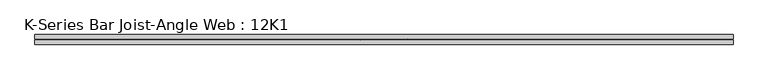
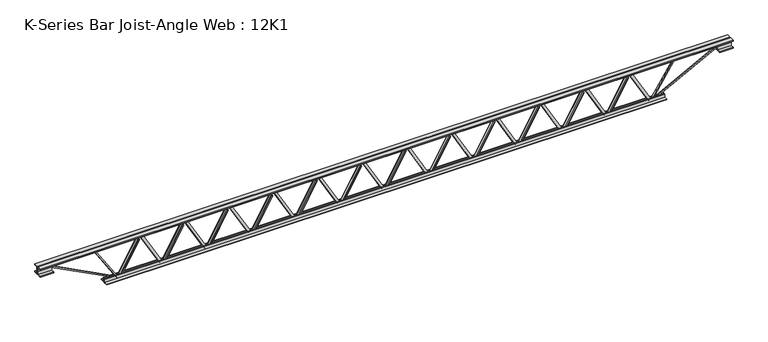
"""IFC4 building model written with IfcOpenShell, lengths in millimetres: beam geometry, K-Series Bar Joist-Angle Web : 12K1."""

from ifc_helpers import new_model, si_unit, frame, origin, place, context, project, spatial, polyline, outline, extrude, faceted_brep, source, transform, mapped, element, save


def k_series_bar_joist_angle_web_12k1_126cf819(model_context):
    return source(origin(), model_context, "Body", "SolidModel", [
        extrude(outline(polyline([(-4.7625, 4.7625), (-4.7625, 0.0), (-17.4625, 0.0), (-17.4625, 4.7625), (-4.7625, 4.7625)])), frame((1671.6442885, 0.0, -114.3), z_axis=(-0.4915136705372825, 0.0, 0.8708698592068552), x_axis=(0.0, -1.0, 0.0)), (0.0, 0.0, 1.0), 262.496167),
        extrude(outline(polyline([(-149.225, 1703.2672348), (-130.175, 1703.2672348), (-130.175, 1702.4787229), (149.225, 1544.7870562), (149.225, 1526.5255682), (130.175, 1526.5255682), (130.175, 1533.6640802), (-149.225, 1691.3557468), (-149.225, 1703.2672348)])), frame((0.0, 0.0, 0.0), z_axis=(0.0, 1.0, 0.0), x_axis=(0.0, 0.0, 1.0)), (0.0, 0.0, 1.0), 4.7625),
        faceted_brep([(1362.4839015, 0.0, -130.175), (1362.4839015, 0.0, -149.225), (1362.4839015, -4.7625, -149.225), (1362.4839015, -4.7625, -130.175), (1363.2724135, 0.0, -130.175), (1520.9640802, 0.0, 149.225), (1539.2255682, 0.0, 149.225), (1539.2255682, 0.0, 130.175), (1532.0870562, 0.0, 130.175), (1374.3953895, 0.0, -149.225), (1374.3953895, -4.7625, -149.225), (1394.1068479, -4.7625, -114.3), (1389.9593302, -4.7625, -111.9591661), (1518.9797847, -4.7625, 116.6408339), (1523.1273024, -4.7625, 114.3), (1532.0870562, -4.7625, 130.175), (1539.2255682, -4.7625, 130.175), (1539.2255682, -4.7625, 149.225), (1520.9640802, -4.7625, 149.225), (1363.2724135, -4.7625, -130.175), (1523.1273024, -17.4625, 114.3), (1394.1068479, -17.4625, -114.3), (1389.9593302, -17.4625, -111.9591661), (1518.9797847, -17.4625, 116.6408339)], [[[0, 1, 2, 3]], [[1, 0, 4, 5, 6, 7, 8, 9]], [[2, 1, 9, 10]], [[3, 2, 10, 11, 12, 13, 14, 15, 16, 17, 18, 19]], [[0, 3, 19, 4]], [[9, 8, 15, 14, 20, 21, 11, 10]], [[5, 4, 19, 18]], [[7, 6, 17, 16]], [[8, 7, 16, 15]], [[6, 5, 18, 17]], [[21, 22, 12, 11]], [[20, 14, 13, 23]], [[22, 21, 20, 23]], [[12, 22, 23, 13]]]),
        extrude(outline(polyline([(-4.7625, 4.7625), (-4.7625, 0.0), (-17.4625, 0.0), (-17.4625, 4.7625), (-4.7625, 4.7625)])), frame((1331.0052733, 0.0, -114.3), z_axis=(-0.4915136705372825, 0.0, 0.8708698592068552), x_axis=(0.0, -1.0, 0.0)), (0.0, 0.0, 1.0), 262.496167),
        extrude(outline(polyline([(-149.225, 1362.6282197), (-130.175, 1362.6282197), (-130.175, 1361.8397077), (149.225, 1204.148041), (149.225, 1185.886553), (130.175, 1185.886553), (130.175, 1193.025065), (-149.225, 1350.7167317), (-149.225, 1362.6282197)])), frame((0.0, 0.0, 0.0), z_axis=(0.0, 1.0, 0.0), x_axis=(0.0, 0.0, 1.0)), (0.0, 0.0, 1.0), 4.7625),
        faceted_brep([(1021.8448864, 0.0, -130.175), (1021.8448864, 0.0, -149.225), (1021.8448864, -4.7625, -149.225), (1021.8448864, -4.7625, -130.175), (1022.6333983, 0.0, -130.175), (1180.325065, 0.0, 149.225), (1198.586553, 0.0, 149.225), (1198.586553, 0.0, 130.175), (1191.448041, 0.0, 130.175), (1033.7563744, 0.0, -149.225), (1033.7563744, -4.7625, -149.225), (1053.4678327, -4.7625, -114.3), (1049.320315, -4.7625, -111.9591661), (1178.3407696, -4.7625, 116.6408339), (1182.4882873, -4.7625, 114.3), (1191.448041, -4.7625, 130.175), (1198.586553, -4.7625, 130.175), (1198.586553, -4.7625, 149.225), (1180.325065, -4.7625, 149.225), (1022.6333983, -4.7625, -130.175), (1182.4882873, -17.4625, 114.3), (1053.4678327, -17.4625, -114.3), (1049.320315, -17.4625, -111.9591661), (1178.3407696, -17.4625, 116.6408339)], [[[0, 1, 2, 3]], [[1, 0, 4, 5, 6, 7, 8, 9]], [[2, 1, 9, 10]], [[3, 2, 10, 11, 12, 13, 14, 15, 16, 17, 18, 19]], [[0, 3, 19, 4]], [[9, 8, 15, 14, 20, 21, 11, 10]], [[5, 4, 19, 18]], [[7, 6, 17, 16]], [[8, 7, 16, 15]], [[6, 5, 18, 17]], [[21, 22, 12, 11]], [[20, 14, 13, 23]], [[22, 21, 20, 23]], [[12, 22, 23, 13]]]),
        extrude(outline(polyline([(-4.7625, 4.7625), (-4.7625, 0.0), (-17.4625, 0.0), (-17.4625, 4.7625), (-4.7625, 4.7625)])), frame((990.3662582, 0.0, -114.3), z_axis=(-0.4915136705372825, 0.0, 0.8708698592068552), x_axis=(0.0, -1.0, 0.0)), (0.0, 0.0, 1.0), 262.496167),
        extrude(outline(polyline([(-149.225, 1021.9892045), (-130.175, 1021.9892045), (-130.175, 1021.2006926), (149.225, 863.5090259), (149.225, 845.2475379), (130.175, 845.2475379), (130.175, 852.3860499), (-149.225, 1010.0777165), (-149.225, 1021.9892045)])), frame((0.0, 0.0, 0.0), z_axis=(0.0, 1.0, 0.0), x_axis=(0.0, 0.0, 1.0)), (0.0, 0.0, 1.0), 4.7625),
        faceted_brep([(681.2058712, 0.0, -130.175), (681.2058712, 0.0, -149.225), (681.2058712, -4.7625, -149.225), (681.2058712, -4.7625, -130.175), (681.9943832, 0.0, -130.175), (839.6860499, 0.0, 149.225), (857.9475379, 0.0, 149.225), (857.9475379, 0.0, 130.175), (850.8090259, 0.0, 130.175), (693.1173592, 0.0, -149.225), (693.1173592, -4.7625, -149.225), (712.8288176, -4.7625, -114.3), (708.6812999, -4.7625, -111.9591661), (837.7017544, -4.7625, 116.6408339), (841.8492721, -4.7625, 114.3), (850.8090259, -4.7625, 130.175), (857.9475379, -4.7625, 130.175), (857.9475379, -4.7625, 149.225), (839.6860499, -4.7625, 149.225), (681.9943832, -4.7625, -130.175), (841.8492721, -17.4625, 114.3), (712.8288176, -17.4625, -114.3), (708.6812999, -17.4625, -111.9591661), (837.7017544, -17.4625, 116.6408339)], [[[0, 1, 2, 3]], [[1, 0, 4, 5, 6, 7, 8, 9]], [[2, 1, 9, 10]], [[3, 2, 10, 11, 12, 13, 14, 15, 16, 17, 18, 19]], [[0, 3, 19, 4]], [[9, 8, 15, 14, 20, 21, 11, 10]], [[5, 4, 19, 18]], [[7, 6, 17, 16]], [[8, 7, 16, 15]], [[6, 5, 18, 17]], [[21, 22, 12, 11]], [[20, 14, 13, 23]], [[22, 21, 20, 23]], [[12, 22, 23, 13]]]),
        extrude(outline(polyline([(-4.7625, 4.7625), (-4.7625, 0.0), (-17.4625, 0.0), (-17.4625, 4.7625), (-4.7625, 4.7625)])), frame((649.727243, 0.0, -114.3), z_axis=(-0.4915136705372825, 0.0, 0.8708698592068552), x_axis=(0.0, -1.0, 0.0)), (0.0, 0.0, 1.0), 262.496167),
        extrude(outline(polyline([(-149.225, 681.3501894), (-130.175, 681.3501894), (-130.175, 680.5616774), (149.225, 522.8700107), (149.225, 504.6085227), (130.175, 504.6085227), (130.175, 511.7470347), (-149.225, 669.4387014), (-149.225, 681.3501894)])), frame((0.0, 0.0, 0.0), z_axis=(0.0, 1.0, 0.0), x_axis=(0.0, 0.0, 1.0)), (0.0, 0.0, 1.0), 4.7625),
        faceted_brep([(340.5668561, 0.0, -130.175), (340.5668561, 0.0, -149.225), (340.5668561, -4.7625, -149.225), (340.5668561, -4.7625, -130.175), (341.355368, 0.0, -130.175), (499.0470347, 0.0, 149.225), (517.3085227, 0.0, 149.225), (517.3085227, 0.0, 130.175), (510.1700107, 0.0, 130.175), (352.4783441, 0.0, -149.225), (352.4783441, -4.7625, -149.225), (372.1898024, -4.7625, -114.3), (368.0422847, -4.7625, -111.9591661), (497.0627393, -4.7625, 116.6408339), (501.210257, -4.7625, 114.3), (510.1700107, -4.7625, 130.175), (517.3085227, -4.7625, 130.175), (517.3085227, -4.7625, 149.225), (499.0470347, -4.7625, 149.225), (341.355368, -4.7625, -130.175), (501.210257, -17.4625, 114.3), (372.1898024, -17.4625, -114.3), (368.0422847, -17.4625, -111.9591661), (497.0627393, -17.4625, 116.6408339)], [[[0, 1, 2, 3]], [[1, 0, 4, 5, 6, 7, 8, 9]], [[2, 1, 9, 10]], [[3, 2, 10, 11, 12, 13, 14, 15, 16, 17, 18, 19]], [[0, 3, 19, 4]], [[9, 8, 15, 14, 20, 21, 11, 10]], [[5, 4, 19, 18]], [[7, 6, 17, 16]], [[8, 7, 16, 15]], [[6, 5, 18, 17]], [[21, 22, 12, 11]], [[20, 14, 13, 23]], [[22, 21, 20, 23]], [[12, 22, 23, 13]]]),
        extrude(outline(polyline([(-4.7625, 4.7625), (-4.7625, 0.0), (-17.4625, 0.0), (-17.4625, 4.7625), (-4.7625, 4.7625)])), frame((309.0882279, 0.0, -114.3), z_axis=(-0.4915136705372825, 0.0, 0.8708698592068552), x_axis=(0.0, -1.0, 0.0)), (0.0, 0.0, 1.0), 262.496167),
        extrude(outline(polyline([(-149.225, 340.7111742), (-130.175, 340.7111742), (-130.175, 339.9226623), (149.225, 182.2309956), (149.225, 163.9695076), (130.175, 163.9695076), (130.175, 171.1080196), (-149.225, 328.7996862), (-149.225, 340.7111742)])), frame((0.0, 0.0, 0.0), z_axis=(0.0, 1.0, 0.0), x_axis=(0.0, 0.0, 1.0)), (0.0, 0.0, 1.0), 4.7625),
        faceted_brep([(-0.0721591, 0.0, -130.175), (-0.0721591, 0.0, -149.225), (-0.0721591, -4.7625, -149.225), (-0.0721591, -4.7625, -130.175), (0.7163529, 0.0, -130.175), (158.4080196, 0.0, 149.225), (176.6695076, 0.0, 149.225), (176.6695076, 0.0, 130.175), (169.5309956, 0.0, 130.175), (11.8393289, 0.0, -149.225), (11.8393289, -4.7625, -149.225), (31.5507873, -4.7625, -114.3), (27.4032696, -4.7625, -111.9591661), (156.4237241, -4.7625, 116.6408339), (160.5712418, -4.7625, 114.3), (169.5309956, -4.7625, 130.175), (176.6695076, -4.7625, 130.175), (176.6695076, -4.7625, 149.225), (158.4080196, -4.7625, 149.225), (0.7163529, -4.7625, -130.175), (160.5712418, -17.4625, 114.3), (31.5507873, -17.4625, -114.3), (27.4032696, -17.4625, -111.9591661), (156.4237241, -17.4625, 116.6408339)], [[[0, 1, 2, 3]], [[1, 0, 4, 5, 6, 7, 8, 9]], [[2, 1, 9, 10]], [[3, 2, 10, 11, 12, 13, 14, 15, 16, 17, 18, 19]], [[0, 3, 19, 4]], [[9, 8, 15, 14, 20, 21, 11, 10]], [[5, 4, 19, 18]], [[7, 6, 17, 16]], [[8, 7, 16, 15]], [[6, 5, 18, 17]], [[21, 22, 12, 11]], [[20, 14, 13, 23]], [[22, 21, 20, 23]], [[12, 22, 23, 13]]]),
        extrude(outline(polyline([(-4.7625, 4.7625), (-4.7625, 0.0), (-17.4625, 0.0), (-17.4625, 4.7625), (-4.7625, 4.7625)])), frame((-31.5507873, 0.0, -114.3), z_axis=(-0.4915136705372825, 0.0, 0.8708698592068552), x_axis=(0.0, -1.0, 0.0)), (0.0, 0.0, 1.0), 262.496167),
        extrude(outline(polyline([(-149.225, 0.0721591), (-130.175, 0.0721591), (-130.175, -0.7163529), (149.225, -158.4080196), (149.225, -176.6695076), (130.175, -176.6695076), (130.175, -169.5309956), (-149.225, -11.8393289), (-149.225, 0.0721591)])), frame((0.0, 0.0, 0.0), z_axis=(0.0, 1.0, 0.0), x_axis=(0.0, 0.0, 1.0)), (0.0, 0.0, 1.0), 4.7625),
        faceted_brep([(-340.7111742, 0.0, -130.175), (-340.7111742, 0.0, -149.225), (-340.7111742, -4.7625, -149.225), (-340.7111742, -4.7625, -130.175), (-339.9226623, 0.0, -130.175), (-182.2309956, 0.0, 149.225), (-163.9695076, 0.0, 149.225), (-163.9695076, 0.0, 130.175), (-171.1080196, 0.0, 130.175), (-328.7996862, 0.0, -149.225), (-328.7996862, -4.7625, -149.225), (-309.0882279, -4.7625, -114.3), (-313.2357456, -4.7625, -111.9591661), (-184.215291, -4.7625, 116.6408339), (-180.0677733, -4.7625, 114.3), (-171.1080196, -4.7625, 130.175), (-163.9695076, -4.7625, 130.175), (-163.9695076, -4.7625, 149.225), (-182.2309956, -4.7625, 149.225), (-339.9226623, -4.7625, -130.175), (-180.0677733, -17.4625, 114.3), (-309.0882279, -17.4625, -114.3), (-313.2357456, -17.4625, -111.9591661), (-184.215291, -17.4625, 116.6408339)], [[[0, 1, 2, 3]], [[1, 0, 4, 5, 6, 7, 8, 9]], [[2, 1, 9, 10]], [[3, 2, 10, 11, 12, 13, 14, 15, 16, 17, 18, 19]], [[0, 3, 19, 4]], [[9, 8, 15, 14, 20, 21, 11, 10]], [[5, 4, 19, 18]], [[7, 6, 17, 16]], [[8, 7, 16, 15]], [[6, 5, 18, 17]], [[21, 22, 12, 11]], [[20, 14, 13, 23]], [[22, 21, 20, 23]], [[12, 22, 23, 13]]]),
        extrude(outline(polyline([(-4.7625, 4.7625), (-4.7625, 0.0), (-17.4625, 0.0), (-17.4625, 4.7625), (-4.7625, 4.7625)])), frame((-372.1898024, 0.0, -114.3), z_axis=(-0.4915136705372825, 0.0, 0.8708698592068552), x_axis=(0.0, -1.0, 0.0)), (0.0, 0.0, 1.0), 262.496167),
        extrude(outline(polyline([(-149.225, -340.5668561), (-130.175, -340.5668561), (-130.175, -341.355368), (149.225, -499.0470347), (149.225, -517.3085227), (130.175, -517.3085227), (130.175, -510.1700107), (-149.225, -352.4783441), (-149.225, -340.5668561)])), frame((0.0, 0.0, 0.0), z_axis=(0.0, 1.0, 0.0), x_axis=(0.0, 0.0, 1.0)), (0.0, 0.0, 1.0), 4.7625),
        faceted_brep([(-681.3501894, 0.0, -130.175), (-681.3501894, 0.0, -149.225), (-681.3501894, -4.7625, -149.225), (-681.3501894, -4.7625, -130.175), (-680.5616774, 0.0, -130.175), (-522.8700107, 0.0, 149.225), (-504.6085227, 0.0, 149.225), (-504.6085227, 0.0, 130.175), (-511.7470347, 0.0, 130.175), (-669.4387014, 0.0, -149.225), (-669.4387014, -4.7625, -149.225), (-649.727243, -4.7625, -114.3), (-653.8747607, -4.7625, -111.9591661), (-524.8543062, -4.7625, 116.6408339), (-520.7067885, -4.7625, 114.3), (-511.7470347, -4.7625, 130.175), (-504.6085227, -4.7625, 130.175), (-504.6085227, -4.7625, 149.225), (-522.8700107, -4.7625, 149.225), (-680.5616774, -4.7625, -130.175), (-520.7067885, -17.4625, 114.3), (-649.727243, -17.4625, -114.3), (-653.8747607, -17.4625, -111.9591661), (-524.8543062, -17.4625, 116.6408339)], [[[0, 1, 2, 3]], [[1, 0, 4, 5, 6, 7, 8, 9]], [[2, 1, 9, 10]], [[3, 2, 10, 11, 12, 13, 14, 15, 16, 17, 18, 19]], [[0, 3, 19, 4]], [[9, 8, 15, 14, 20, 21, 11, 10]], [[5, 4, 19, 18]], [[7, 6, 17, 16]], [[8, 7, 16, 15]], [[6, 5, 18, 17]], [[21, 22, 12, 11]], [[20, 14, 13, 23]], [[22, 21, 20, 23]], [[12, 22, 23, 13]]]),
        extrude(outline(polyline([(-4.7625, 4.7625), (-4.7625, 0.0), (-17.4625, 0.0), (-17.4625, 4.7625), (-4.7625, 4.7625)])), frame((-712.8288176, 0.0, -114.3), z_axis=(-0.4915136705372825, 0.0, 0.8708698592068552), x_axis=(0.0, -1.0, 0.0)), (0.0, 0.0, 1.0), 262.496167),
        extrude(outline(polyline([(-149.225, -681.2058712), (-130.175, -681.2058712), (-130.175, -681.9943832), (149.225, -839.6860499), (149.225, -857.9475379), (130.175, -857.9475379), (130.175, -850.8090259), (-149.225, -693.1173592), (-149.225, -681.2058712)])), frame((0.0, 0.0, 0.0), z_axis=(0.0, 1.0, 0.0), x_axis=(0.0, 0.0, 1.0)), (0.0, 0.0, 1.0), 4.7625),
        faceted_brep([(-1021.9892045, 0.0, -130.175), (-1021.9892045, 0.0, -149.225), (-1021.9892045, -4.7625, -149.225), (-1021.9892045, -4.7625, -130.175), (-1021.2006926, 0.0, -130.175), (-863.5090259, 0.0, 149.225), (-845.2475379, 0.0, 149.225), (-845.2475379, 0.0, 130.175), (-852.3860499, 0.0, 130.175), (-1010.0777165, 0.0, -149.225), (-1010.0777165, -4.7625, -149.225), (-990.3662582, -4.7625, -114.3), (-994.5137759, -4.7625, -111.9591661), (-865.4933214, -4.7625, 116.6408339), (-861.3458036, -4.7625, 114.3), (-852.3860499, -4.7625, 130.175), (-845.2475379, -4.7625, 130.175), (-845.2475379, -4.7625, 149.225), (-863.5090259, -4.7625, 149.225), (-1021.2006926, -4.7625, -130.175), (-861.3458036, -17.4625, 114.3), (-990.3662582, -17.4625, -114.3), (-994.5137759, -17.4625, -111.9591661), (-865.4933214, -17.4625, 116.6408339)], [[[0, 1, 2, 3]], [[1, 0, 4, 5, 6, 7, 8, 9]], [[2, 1, 9, 10]], [[3, 2, 10, 11, 12, 13, 14, 15, 16, 17, 18, 19]], [[0, 3, 19, 4]], [[9, 8, 15, 14, 20, 21, 11, 10]], [[5, 4, 19, 18]], [[7, 6, 17, 16]], [[8, 7, 16, 15]], [[6, 5, 18, 17]], [[21, 22, 12, 11]], [[20, 14, 13, 23]], [[22, 21, 20, 23]], [[12, 22, 23, 13]]]),
        extrude(outline(polyline([(-4.7625, 4.7625), (-4.7625, 0.0), (-17.4625, 0.0), (-17.4625, 4.7625), (-4.7625, 4.7625)])), frame((-1053.4678327, 0.0, -114.3), z_axis=(-0.4915136705372825, 0.0, 0.8708698592068552), x_axis=(0.0, -1.0, 0.0)), (0.0, 0.0, 1.0), 262.496167),
        extrude(outline(polyline([(-149.225, -1021.8448864), (-130.175, -1021.8448864), (-130.175, -1022.6333983), (149.225, -1180.325065), (149.225, -1198.586553), (130.175, -1198.586553), (130.175, -1191.448041), (-149.225, -1033.7563744), (-149.225, -1021.8448864)])), frame((0.0, 0.0, 0.0), z_axis=(0.0, 1.0, 0.0), x_axis=(0.0, 0.0, 1.0)), (0.0, 0.0, 1.0), 4.7625),
        faceted_brep([(-1362.6282197, 0.0, -130.175), (-1362.6282197, 0.0, -149.225), (-1362.6282197, -4.7625, -149.225), (-1362.6282197, -4.7625, -130.175), (-1361.8397077, 0.0, -130.175), (-1204.148041, 0.0, 149.225), (-1185.886553, 0.0, 149.225), (-1185.886553, 0.0, 130.175), (-1193.025065, 0.0, 130.175), (-1350.7167317, 0.0, -149.225), (-1350.7167317, -4.7625, -149.225), (-1331.0052733, -4.7625, -114.3), (-1335.152791, -4.7625, -111.9591661), (-1206.1323365, -4.7625, 116.6408339), (-1201.9848188, -4.7625, 114.3), (-1193.025065, -4.7625, 130.175), (-1185.886553, -4.7625, 130.175), (-1185.886553, -4.7625, 149.225), (-1204.148041, -4.7625, 149.225), (-1361.8397077, -4.7625, -130.175), (-1201.9848188, -17.4625, 114.3), (-1331.0052733, -17.4625, -114.3), (-1335.152791, -17.4625, -111.9591661), (-1206.1323365, -17.4625, 116.6408339)], [[[0, 1, 2, 3]], [[1, 0, 4, 5, 6, 7, 8, 9]], [[2, 1, 9, 10]], [[3, 2, 10, 11, 12, 13, 14, 15, 16, 17, 18, 19]], [[0, 3, 19, 4]], [[9, 8, 15, 14, 20, 21, 11, 10]], [[5, 4, 19, 18]], [[7, 6, 17, 16]], [[8, 7, 16, 15]], [[6, 5, 18, 17]], [[21, 22, 12, 11]], [[20, 14, 13, 23]], [[22, 21, 20, 23]], [[12, 22, 23, 13]]]),
        extrude(outline(polyline([(-4.7625, 4.7625), (-4.7625, 0.0), (-17.4625, 0.0), (-17.4625, 4.7625), (-4.7625, 4.7625)])), frame((-1394.1068479, 0.0, -114.3), z_axis=(-0.4915136705372825, 0.0, 0.8708698592068552), x_axis=(0.0, -1.0, 0.0)), (0.0, 0.0, 1.0), 262.496167),
        extrude(outline(polyline([(-149.225, -1362.4839015), (-130.175, -1362.4839015), (-130.175, -1363.2724135), (149.225, -1520.9640802), (149.225, -1539.2255682), (130.175, -1539.2255682), (130.175, -1532.0870562), (-149.225, -1374.3953895), (-149.225, -1362.4839015)])), frame((0.0, 0.0, 0.0), z_axis=(0.0, 1.0, 0.0), x_axis=(0.0, 0.0, 1.0)), (0.0, 0.0, 1.0), 4.7625),
        faceted_brep([(-1703.2672348, 0.0, -130.175), (-1703.2672348, 0.0, -149.225), (-1703.2672348, -4.7625, -149.225), (-1703.2672348, -4.7625, -130.175), (-1702.4787229, 0.0, -130.175), (-1544.7870562, 0.0, 149.225), (-1526.5255682, 0.0, 149.225), (-1526.5255682, 0.0, 130.175), (-1533.6640802, 0.0, 130.175), (-1691.3557468, 0.0, -149.225), (-1691.3557468, -4.7625, -149.225), (-1671.6442885, -4.7625, -114.3), (-1675.7918062, -4.7625, -111.9591661), (-1546.7713517, -4.7625, 116.6408339), (-1542.623834, -4.7625, 114.3), (-1533.6640802, -4.7625, 130.175), (-1526.5255682, -4.7625, 130.175), (-1526.5255682, -4.7625, 149.225), (-1544.7870562, -4.7625, 149.225), (-1702.4787229, -4.7625, -130.175), (-1542.623834, -17.4625, 114.3), (-1671.6442885, -17.4625, -114.3), (-1675.7918062, -17.4625, -111.9591661), (-1546.7713517, -17.4625, 116.6408339)], [[[0, 1, 2, 3]], [[1, 0, 4, 5, 6, 7, 8, 9]], [[2, 1, 9, 10]], [[3, 2, 10, 11, 12, 13, 14, 15, 16, 17, 18, 19]], [[0, 3, 19, 4]], [[9, 8, 15, 14, 20, 21, 11, 10]], [[5, 4, 19, 18]], [[7, 6, 17, 16]], [[8, 7, 16, 15]], [[6, 5, 18, 17]], [[21, 22, 12, 11]], [[20, 14, 13, 23]], [[22, 21, 20, 23]], [[12, 22, 23, 13]]]),
        extrude(outline(polyline([(-4.7625, 4.7625001), (-4.7625, 0.0), (-17.4625, 0.0), (-17.4625, 4.7625001), (-4.7625, 4.7625001)])), frame((2012.2833036, 0.0, -114.3), z_axis=(-0.4915136705372825, 0.0, 0.8708698592068552), x_axis=(0.0, -1.0, 0.0)), (0.0, 0.0, 1.0), 262.496167),
        extrude(outline(polyline([(-149.225, 2043.90625), (-130.175, 2043.90625), (-130.175, 2043.117738), (149.225, 1885.4260714), (149.225, 1867.1645833), (130.175, 1867.1645833), (130.175, 1874.3030953), (-149.225, 2031.994762), (-149.225, 2043.90625)])), frame((0.0, 0.0, 0.0), z_axis=(0.0, 1.0, 0.0), x_axis=(0.0, 0.0, 1.0)), (0.0, 0.0, 1.0), 4.7625),
        faceted_brep([(1703.1229167, 0.0, -130.175), (1703.1229167, 0.0, -149.225), (1703.1229167, -4.7625, -149.225), (1703.1229167, -4.7625, -130.175), (1703.9114286, 0.0, -130.175), (1861.6030953, 0.0, 149.225), (1879.8645833, 0.0, 149.225), (1879.8645833, 0.0, 130.175), (1872.7260714, 0.0, 130.175), (1715.0344047, 0.0, -149.225), (1715.0344047, -4.7625, -149.225), (1734.745863, -4.7625, -114.3), (1730.5983453, -4.7625, -111.9591661), (1859.6187999, -4.7625, 116.6408339), (1863.7663176, -4.7625, 114.3), (1872.7260714, -4.7625, 130.175), (1879.8645833, -4.7625, 130.175), (1879.8645833, -4.7625, 149.225), (1861.6030953, -4.7625, 149.225), (1703.9114286, -4.7625, -130.175), (1863.7663176, -17.4625, 114.3), (1734.745863, -17.4625, -114.3), (1730.5983453, -17.4625, -111.9591661), (1859.6187999, -17.4625, 116.6408339)], [[[0, 1, 2, 3]], [[1, 0, 4, 5, 6, 7, 8, 9]], [[2, 1, 9, 10]], [[3, 2, 10, 11, 12, 13, 14, 15, 16, 17, 18, 19]], [[0, 3, 19, 4]], [[9, 8, 15, 14, 20, 21, 11, 10]], [[5, 4, 19, 18]], [[7, 6, 17, 16]], [[8, 7, 16, 15]], [[6, 5, 18, 17]], [[21, 22, 12, 11]], [[20, 14, 13, 23]], [[22, 21, 20, 23]], [[12, 22, 23, 13]]]),
        extrude(outline(polyline([(-4.7625, 4.7625), (-4.7625, 0.0), (-17.4625, 0.0), (-17.4625, 4.7625), (-4.7625, 4.7625)])), frame((-1734.745863, 0.0, -114.3), z_axis=(-0.4915136705372825, 0.0, 0.8708698592068552), x_axis=(0.0, -1.0, 0.0)), (0.0, 0.0, 1.0), 262.496167),
        extrude(outline(polyline([(-149.225, -1703.1229167), (-130.175, -1703.1229167), (-130.175, -1703.9114286), (149.225, -1861.6030953), (149.225, -1879.8645833), (130.175, -1879.8645833), (130.175, -1872.7260714), (-149.225, -1715.0344047), (-149.225, -1703.1229167)])), frame((0.0, 0.0, 0.0), z_axis=(0.0, 1.0, 0.0), x_axis=(0.0, 0.0, 1.0)), (0.0, 0.0, 1.0), 4.7625),
        faceted_brep([(-2043.90625, 0.0, -130.175), (-2043.90625, 0.0, -149.225), (-2043.90625, -4.7625, -149.225), (-2043.90625, -4.7625, -130.175), (-2043.117738, 0.0, -130.175), (-1885.4260714, 0.0, 149.225), (-1867.1645833, 0.0, 149.225), (-1867.1645833, 0.0, 130.175), (-1874.3030953, 0.0, 130.175), (-2031.994762, 0.0, -149.225), (-2031.994762, -4.7625, -149.225), (-2012.2833036, -4.7625, -114.3), (-2016.4308214, -4.7625, -111.9591661), (-1887.4103668, -4.7625, 116.6408339), (-1883.2628491, -4.7625, 114.3), (-1874.3030953, -4.7625, 130.175), (-1867.1645833, -4.7625, 130.175), (-1867.1645833, -4.7625, 149.225), (-1885.4260714, -4.7625, 149.225), (-2043.117738, -4.7625, -130.175), (-1883.2628491, -17.4625, 114.3), (-2012.2833036, -17.4625, -114.3), (-2016.4308214, -17.4625, -111.9591661), (-1887.4103668, -17.4625, 116.6408339)], [[[0, 1, 2, 3]], [[1, 0, 4, 5, 6, 7, 8, 9]], [[2, 1, 9, 10]], [[3, 2, 10, 11, 12, 13, 14, 15, 16, 17, 18, 19]], [[0, 3, 19, 4]], [[9, 8, 15, 14, 20, 21, 11, 10]], [[5, 4, 19, 18]], [[7, 6, 17, 16]], [[8, 7, 16, 15]], [[6, 5, 18, 17]], [[21, 22, 12, 11]], [[20, 14, 13, 23]], [[22, 21, 20, 23]], [[12, 22, 23, 13]]]),
        extrude(outline(polyline([(4.7625, 152.4), (36.5125, 152.4), (36.5125, 146.05), (11.1125, 146.05), (11.1125, 120.65), (4.7625, 120.65), (4.7625, 152.4)])), frame((-2653.50625, 0.0, 0.0), z_axis=(1.0, 0.0, 0.0), x_axis=(0.0, 1.0, 0.0)), (0.0, 0.0, 1.0), 5307.0125),
        extrude(outline(polyline([(-4.7625, 152.4), (-4.7625, 120.65), (-11.1125, 120.65), (-11.1125, 146.05), (-36.5125, 146.05), (-36.5125, 152.4), (-4.7625, 152.4)])), frame((-2653.50625, 0.0, 0.0), z_axis=(1.0, 0.0, 0.0), x_axis=(0.0, 1.0, 0.0)), (0.0, 0.0, 1.0), 5307.0125),
        extrude(outline(polyline([(-4.7625, 88.9), (-36.5125, 88.9), (-36.5125, 95.25), (-11.1125, 95.25), (-11.1125, 120.65), (-4.7625, 120.65), (-4.7625, 88.9)])), frame((-2653.50625, 0.0, 0.0), z_axis=(1.0, 0.0, 0.0), x_axis=(0.0, 1.0, 0.0)), (0.0, 0.0, 1.0), 101.6),
        extrude(outline(polyline([(36.5125, 88.9), (4.7625, 88.9), (4.7625, 120.65), (11.1125, 120.65), (11.1125, 95.25), (36.5125, 95.25), (36.5125, 88.9)])), frame((-2653.50625, 0.0, 0.0), z_axis=(1.0, 0.0, 0.0), x_axis=(0.0, 1.0, 0.0)), (0.0, 0.0, 1.0), 101.6),
        extrude(outline(polyline([(4.7625, 88.9), (4.7625, 120.65), (11.1125, 120.65), (11.1125, 95.25), (36.5125, 95.25), (36.5125, 88.9), (4.7625, 88.9)])), frame((2551.90625, 0.0, 0.0), z_axis=(1.0, 0.0, 0.0), x_axis=(0.0, 1.0, 0.0)), (0.0, 0.0, 1.0), 101.6),
        extrude(outline(polyline([(-4.7625, 88.9), (-36.5125, 88.9), (-36.5125, 95.25), (-11.1125, 95.25), (-11.1125, 120.65), (-4.7625, 120.65), (-4.7625, 88.9)])), frame((2551.90625, 0.0, 0.0), z_axis=(1.0, 0.0, 0.0), x_axis=(0.0, 1.0, 0.0)), (0.0, 0.0, 1.0), 101.6),
        extrude(outline(polyline([(4.7625, -152.4), (4.7625, -120.65), (11.1125, -120.65), (11.1125, -146.05), (36.5125, -146.05), (36.5125, -152.4), (4.7625, -152.4)])), frame((-2145.50625, 0.0, 0.0), z_axis=(1.0, 0.0, 0.0), x_axis=(0.0, 1.0, 0.0)), (0.0, 0.0, 1.0), 4291.0125),
        extrude(outline(polyline([(-4.7625, -152.4), (-36.5125, -152.4), (-36.5125, -146.05), (-11.1125, -146.05), (-11.1125, -120.65), (-4.7625, -120.65), (-4.7625, -152.4)])), frame((-2145.50625, 0.0, 0.0), z_axis=(1.0, 0.0, 0.0), x_axis=(0.0, 1.0, 0.0)), (0.0, 0.0, 1.0), 4291.0125),
        extrude(outline(polyline([(4.7625, 4.7625), (4.7625, -4.7625), (-4.7625, -4.7625), (-4.7625, 4.7625), (4.7625, 4.7625)])), frame((2043.90625, 0.0, -146.05), z_axis=(0.5383892771028512, 0.0, 0.8426962598117244), x_axis=(0.0, -1.0, 0.0)), (0.0, 0.0, 1.0), 316.4841387),
        extrude(outline(polyline([(4.7625, 4.7625), (4.7625, -4.7625), (-4.7625, -4.7625), (-4.7625, 4.7625), (4.7625, 4.7625)])), frame((-2043.90625, 0.0, -146.05), z_axis=(-0.5383892771028114, 0.0, 0.8426962598117499), x_axis=(0.0, -1.0, 0.0)), (0.0, 0.0, 1.0), 316.4841387),
        extrude(outline(polyline([(0.0, -9.525), (0.0, 0.0), (573.7533355, 0.0), (573.7533355, -9.525), (0.0, -9.525)])), frame((2554.1200214, -4.7625, 116.4332925), z_axis=(-0.4648338989893243, 0.0, 0.8853979028382566), x_axis=(-0.8853979028382566, 0.0, -0.4648338989893243)), (0.0, 0.0, 1.0), 9.525),
        extrude(outline(polyline([(0.0, -9.525), (0.0, 0.0), (573.7533355, 0.0), (573.7533355, -9.525), (0.0, -9.525)])), frame((-2554.1200214, 4.7625, 116.4332925), z_axis=(0.46483389898932065, 0.0, 0.8853979028382585), x_axis=(0.8853979028382585, 0.0, -0.46483389898932065)), (0.0, 0.0, 1.0), 9.525),
    ])


if __name__ == "__main__":
    model = new_model("IFC4")
    model_context = context("Model", 3, world=origin())
    ifc_project = project(units=[si_unit("LENGTHUNIT", "METRE", prefix="MILLI")], contexts=[model_context])
    site = spatial("IfcSite", under=ifc_project)
    building = spatial("IfcBuilding", under=site)
    placement = place(None, origin())
    k_series_bar_joist_angle_web_12k1_shape = k_series_bar_joist_angle_web_12k1_126cf819(model_context)
    element("IfcBeam", 1, ObjectType="K-Series Bar Joist-Angle Web : 12K1", at=placement, inside=building, context=model_context, shape_type="MappedRepresentation", body=[
        mapped(k_series_bar_joist_angle_web_12k1_shape, transform((0.0, 0.0, 0.0), x_axis=(1.0, 0.0, 0.0), y_axis=(0.0, 1.0, 0.0), z_axis=(0.0, 0.0, 1.0))),
    ])
    save(model, "model.ifc")
